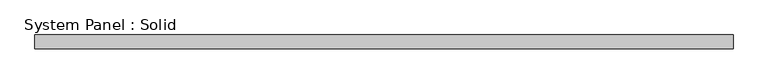
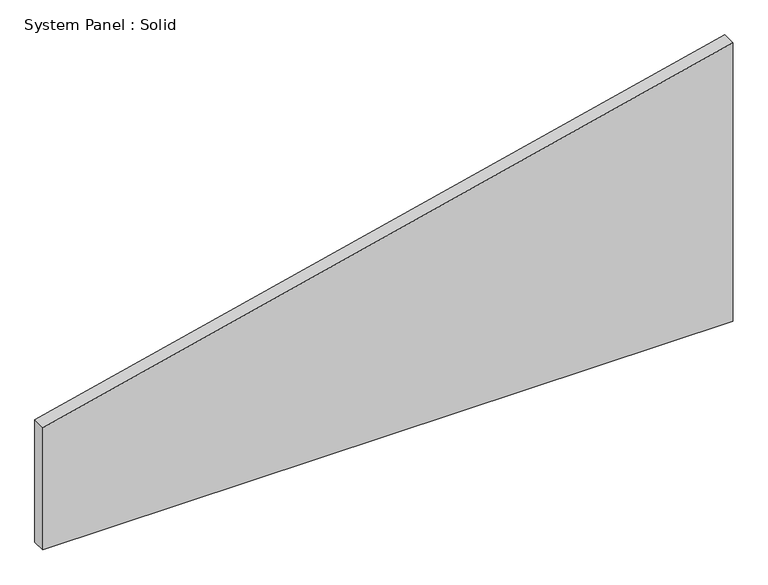
"""IFC4 building model written with IfcOpenShell, lengths in millimetres: plate geometry, System Panel : Solid."""

from ifc_helpers import new_model, si_unit, frame, origin, place, context, project, spatial, polyline, outline, extrude, source, transform, mapped, element, save


def system_panel_solid_4b50e02a(model_context):
    return source(origin(), model_context, "Body", "SweptSolid", [
        extrude(outline(polyline([(0.0, -1500.0), (0.0, 1500.0), (1280.2489465, 1500.0), (562.0177673, -1500.0), (0.0, -1500.0)])), frame((0.0, -10.5, 0.0), z_axis=(0.0, 1.0, 0.0), x_axis=(0.0, 0.0, 1.0)), (0.0, 0.0, 1.0), 60.0),
    ])


if __name__ == "__main__":
    model = new_model("IFC4")
    model_context = context("Model", 3, world=origin())
    ifc_project = project(units=[si_unit("LENGTHUNIT", "METRE", prefix="MILLI")], contexts=[model_context])
    site = spatial("IfcSite", under=ifc_project)
    building = spatial("IfcBuilding", under=site)
    placement = place(None, origin())
    system_panel_solid_shape = system_panel_solid_4b50e02a(model_context)
    element("IfcPlate", 1, ObjectType="System Panel : Solid", at=placement, inside=building, context=model_context, shape_type="MappedRepresentation", body=[
        mapped(system_panel_solid_shape, transform((0.0, 0.0, 0.0), x_axis=(1.0, 0.0, 0.0), y_axis=(0.0, 1.0, 0.0), z_axis=(0.0, 0.0, 1.0))),
    ])
    save(model, "model.ifc")
